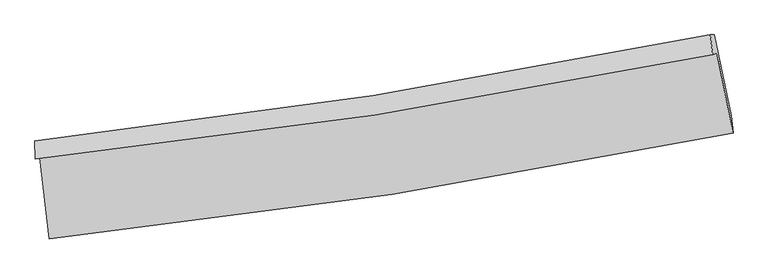
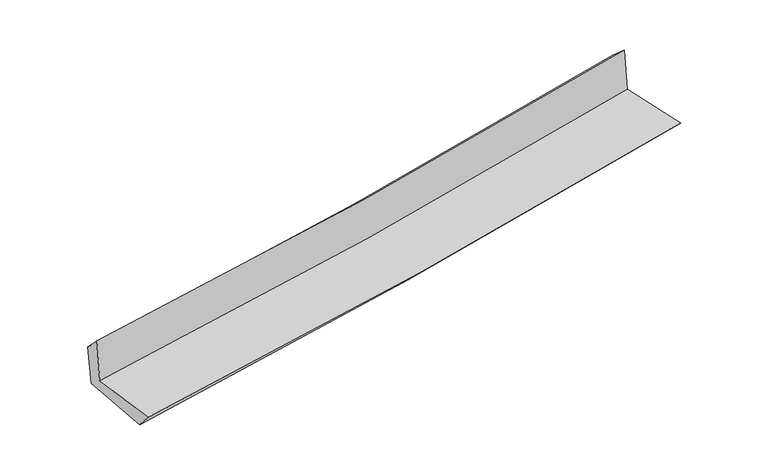
"""IFC4 building model written with IfcOpenShell, lengths in millimetres: proxy geometry."""

from ifc_helpers import new_model, si_unit, frame, origin, place, context, project, spatial, source, transform, mapped, element, save
from ifc_brep_helpers import plane_surface, spline_curve, spline_surface, advanced_brep


def generic_models_65493325(model_context):
    return source(origin(), model_context, "Body", "AdvancedBrep", [
        advanced_brep(
        [(-2749.0828478, -1902.6438318, 1648.4832373), (-2673.2229787, -2556.7609559, 1651.5899219), (2826.8583494, -1704.8291602, 2137.5349664), (2697.4425414, -1059.3543073, 2129.6984529), (-2783.9371505, -1915.119676, 2065.6259817), (2663.454045, -1071.5202424, 2536.4790675), (-2788.0878914, -1769.7398376, 1918.9106104), (2643.9494703, -913.2591518, 2398.0786945), (-2755.1648815, -1770.0777942, 1541.092448), (2676.5012753, -913.4384932, 2035.1152528), (-2675.441732, -2422.494867, 1497.5384858), (2810.8833548, -1562.6709515, 1995.9701157)],
        [
            (0, 1),
            (1, 2, spline_curve(3, [(-2673.2229787, -2556.7609559, 1651.5899219), (-1751.821367539, -2458.625617762, 1736.713265792), (-833.580482081, -2338.72673465, 1819.70293845), (999.802260912, -2054.903018192, 1981.699673973), (1914.92181792, -1890.824636345, 2060.691682675), (2826.8583494, -1704.8291602, 2137.5349664)], [4, 2, 4], [0.0, 9.10713857949383, 18.246347633480475])),
            (2, 3),
            (3, 0, spline_curve(3, [(2697.4425414, -1059.3543073, 2129.6984529), (1794.392888763, -1243.58250504, 2053.651153157), (888.187658086, -1406.056077717, 1975.451976122), (-927.342912512, -1687.000175054, 1815.03182843), (-1836.646145088, -1805.623110585, 1732.825933666), (-2749.0828478, -1902.6438318, 1648.4832373)], [4, 2, 4], [0.0, 9.139209053986646, 18.246347633480475])),
            (4, 0),
            (3, 5),
            (5, 4, spline_curve(3, [(2663.454045, -1071.5202424, 2536.4790675), (1760.549456088, -1255.696515578, 2458.695618221), (854.344225591, -1418.170088262, 2380.496441459), (-961.475963772, -1699.217852699, 2223.542500158), (-1871.06779843, -1817.944091001, 2144.790648495), (-2783.9371505, -1915.119676, 2065.6259817)], [4, 2, 4], [0.0, 9.094439352211005, 18.156965331662])),
            (6, 4),
            (5, 7),
            (7, 6, spline_curve(3, [(2643.9494703, -913.2591518, 2398.0786945), (1743.275915709, -1097.806063561, 2321.903467687), (839.468229476, -1261.541843997, 2243.811633853), (-971.232848602, -1546.889605326, 2084.075511829), (-1878.104283001, -1668.647386505, 2002.444650508), (-2788.0878914, -1769.7398376, 1918.9106104)], [4, 2, 4], [0.0, 9.084109096918771, 18.136341071062287])),
            (8, 6),
            (7, 9),
            (9, 8, spline_curve(3, [(2676.5012753, -913.4384932, 2035.1152528), (1775.758715531, -1098.01625101, 1958.024090612), (871.947630102, -1261.780692245, 1878.232845647), (-938.629253516, -1547.181309776, 1713.539660758), (-1845.373553525, -1668.963302189, 1628.656637527), (-2755.1648815, -1770.0777942, 1541.092448)], [4, 2, 4], [0.0, 9.074611449719045, 18.117379104935605])),
            (10, 8),
            (9, 11),
            (11, 10, spline_curve(3, [(2810.8833548, -1562.6709515, 1995.9701157), (1900.203784375, -1743.307009677, 1918.438779331), (986.861990069, -1905.370383233, 1838.059139516), (-841.931690349, -2191.848236797, 1671.895307754), (-1757.364924733, -2316.392834949, 1586.131071114), (-2675.441732, -2422.494867, 1497.5384858)], [4, 2, 4], [0.0, 9.120039074106131, 18.208074943255262])),
            (1, 10),
            (11, 2),
        ],
        [
            spline_surface(3, 3, [[(-2749.0828478, -1902.6438318, 1648.4832373), (-1836.64614518, -1805.623110545, 1732.825933527), (-927.342912583, -1687.000175083, 1815.031828434), (888.187658157, -1406.056077687, 1975.451976118), (1794.392888621, -1243.582505017, 2053.651153129), (2697.4425414, -1059.3543073, 2129.6984529)], [(-2723.796224783, -2120.682873154, 1649.518798823), (-1808.371219275, -2023.290612941, 1734.121710929), (-896.088769042, -1904.242361543, 1816.58886515), (925.392525683, -1622.338391211, 1977.53454202), (1834.569198396, -1459.329882125, 2055.997996265), (2740.581144073, -1274.512591602, 2132.310624068)], [(-2698.509601717, -2338.721914546, 1650.554360377), (-1780.09629332, -2240.958115374, 1735.417488363), (-864.834625473, -2121.484548064, 1818.145901874), (962.597393237, -1838.620704795, 1979.617107931), (1874.745508153, -1675.077259229, 2058.344839399), (2783.719746727, -1489.670875898, 2134.922795232)], [(-2673.2229787, -2556.7609559, 1651.5899219), (-1751.821367415, -2458.62561777, 1736.713265765), (-833.580481932, -2338.726734524, 1819.70293859), (999.802260763, -2054.903018319, 1981.699673833), (1914.921817929, -1890.824636337, 2060.691682535), (2826.8583494, -1704.8291602, 2137.5349664)]], [4, 4], [4, 2, 4], [0.0, 2.1599976608288616], [0.0, 9.10713857949383, 18.246347633480475]),
            spline_surface(3, 3, [[(-2783.9371505, -1915.119676, 2065.6259817), (-1871.067798372, -1817.944091, 2144.790648555), (-961.475963658, -1699.217852578, 2223.54250023), (854.344225476, -1418.170088384, 2380.496441385), (1760.549455939, -1255.696515613, 2458.695618296), (2663.454045, -1071.5202424, 2536.4790675)], [(-2772.319049605, -1910.961061263, 1926.578400245), (-1859.59391398, -1813.837097511, 2007.46907689), (-950.098279962, -1695.145293429, 2087.372276311), (865.625369707, -1414.132084835, 2245.481619642), (1771.83060017, -1251.658512064, 2323.680796553), (2674.783543803, -1067.464930683, 2400.885529279)], [(-2760.700948695, -1906.802446537, 1787.530818755), (-1848.120029573, -1809.730104033, 1870.147505192), (-938.720596278, -1691.072734231, 1951.202052354), (876.906513926, -1410.094081236, 2110.466797861), (1783.11174439, -1247.620508565, 2188.665974872), (2686.113042597, -1063.409619017, 2265.291991121)], [(-2749.0828478, -1902.6438318, 1648.4832373), (-1836.64614518, -1805.623110545, 1732.825933527), (-927.342912583, -1687.000175083, 1815.031828434), (888.187658157, -1406.056077687, 1975.451976118), (1794.392888621, -1243.582505017, 2053.651153129), (2697.4425414, -1059.3543073, 2129.6984529)]], [4, 4], [4, 2, 4], [0.0, 1.3397972281344188], [0.0, 9.062525979450996, 18.156965331662]),
            spline_surface(3, 3, [[(-2788.0878914, -1769.7398376, 1918.9106104), (-1878.104282965, -1668.647386555, 2002.444650631), (-971.232848567, -1546.889605249, 2084.075511704), (839.468229441, -1261.541844074, 2243.811633979), (1743.275915568, -1097.806063452, 2321.903467576), (2643.9494703, -913.2591518, 2398.0786945)], [(-2786.704311077, -1818.19978373, 1967.815734171), (-1875.758788077, -1718.4129547, 2049.89331661), (-967.980553599, -1597.665687663, 2130.564507866), (844.426894784, -1313.751258815, 2289.373236435), (1749.033762355, -1150.436214168, 2367.500851146), (2650.450995197, -966.012848662, 2444.212152163)], [(-2785.320730823, -1866.65972987, 2016.720857929), (-1873.41329326, -1768.178522855, 2097.341982575), (-964.728258625, -1648.441770164, 2177.053504068), (849.385560133, -1365.960673643, 2334.93483893), (1754.791609152, -1203.066364897, 2413.098234726), (2656.952520103, -1018.766545538, 2490.345609837)], [(-2783.9371505, -1915.119676, 2065.6259817), (-1871.067798372, -1817.944091, 2144.790648555), (-961.475963658, -1699.217852578, 2223.54250023), (854.344225476, -1418.170088384, 2380.496441385), (1760.549455939, -1255.696515613, 2458.695618296), (2663.454045, -1071.5202424, 2536.4790675)]], [4, 4], [4, 2, 4], [0.0, 0.6809729525740994], [0.0, 9.052231974143515, 18.136341071062287]),
            spline_surface(3, 3, [[(-2755.1648815, -1770.0777942, 1541.092448), (-1845.37355352, -1668.963302336, 1628.656637574), (-938.629253403, -1547.181309819, 1713.539660812), (871.947629988, -1261.780692202, 1878.232845593), (1775.758715473, -1098.016251102, 1958.024090629), (2676.5012753, -913.4384932, 2035.1152528)], [(-2766.139218156, -1769.965142002, 1667.031835449), (-1856.283796692, -1668.857997077, 1753.252641908), (-949.497118471, -1547.084074992, 1837.051611107), (861.121163126, -1261.701076189, 2000.09244172), (1764.931115503, -1097.946188577, 2079.317216278), (2665.650673632, -913.378712758, 2156.103066701)], [(-2777.113554744, -1769.852489798, 1792.971222951), (-1867.194039793, -1668.752691814, 1877.848646296), (-960.364983499, -1546.986840076, 1960.563561409), (850.294696303, -1261.621460087, 2121.952037852), (1754.103515538, -1097.876125978, 2200.610341926), (2654.800071968, -913.318932242, 2277.090880599)], [(-2788.0878914, -1769.7398376, 1918.9106104), (-1878.104282965, -1668.647386555, 2002.444650631), (-971.232848567, -1546.889605249, 2084.075511704), (839.468229441, -1261.541844074, 2243.811633979), (1743.275915568, -1097.806063452, 2321.903467576), (2643.9494703, -913.2591518, 2398.0786945)]], [4, 4], [4, 2, 4], [0.0, 1.2122194521176102], [0.0, 9.04276765521656, 18.117379104935605]),
            spline_surface(3, 3, [[(-2675.441732, -2422.494867, 1497.5384858), (-1757.364924677, -2316.392834991, 1586.131071162), (-841.931690255, -2191.848236721, 1671.895307851), (986.861989974, -1905.37038331, 1838.059139419), (1900.203784463, -1743.307009748, 1918.438779372), (2810.8833548, -1562.6709515, 1995.9701157)], [(-2702.016115155, -2205.02250942, 1512.056473201), (-1786.701134279, -2100.582990792, 1600.306259967), (-874.164211273, -1976.95926108, 1685.776758864), (948.557203343, -1690.840486267, 1851.450374836), (1858.722094799, -1528.210090195, 1931.633883126), (2766.089328299, -1346.260132062, 2009.018494735)], [(-2728.590498345, -1987.55015178, 1526.574460599), (-1816.037343918, -1884.773146534, 1614.481448769), (-906.396732385, -1762.07028546, 1699.658209798), (910.252416619, -1476.310589245, 1864.841610175), (1817.240405137, -1313.113170655, 1944.828986874), (2721.295301801, -1129.849312638, 2022.066873765)], [(-2755.1648815, -1770.0777942, 1541.092448), (-1845.37355352, -1668.963302336, 1628.656637574), (-938.629253403, -1547.181309819, 1713.539660812), (871.947629988, -1261.780692202, 1878.232845593), (1775.758715473, -1098.016251102, 1958.024090629), (2676.5012753, -913.4384932, 2035.1152528)]], [4, 4], [4, 2, 4], [0.0, 2.1458144714194707], [0.0, 9.088035869149131, 18.208074943255262]),
            spline_surface(3, 3, [[(-2673.2229787, -2556.7609559, 1651.5899219), (-1751.821367415, -2458.62561777, 1736.713265765), (-833.580481932, -2338.726734524, 1819.70293859), (999.802260763, -2054.903018319, 1981.699673833), (1914.921817929, -1890.824636337, 2060.691682535), (2826.8583494, -1704.8291602, 2137.5349664)], [(-2673.962563124, -2512.005592931, 1600.239443211), (-1753.669219826, -2411.214690174, 1686.519200909), (-836.36421805, -2289.767235266, 1770.433728323), (995.488837156, -2005.058806659, 1933.819495674), (1910.015806769, -1841.652094141, 2013.274048168), (2821.533351195, -1657.443090633, 2090.346682854)], [(-2674.702147576, -2467.250229969, 1548.888964489), (-1755.517072265, -2363.803762586, 1636.325136018), (-839.147954137, -2240.807735979, 1721.164518118), (991.175413581, -1955.21459497, 1885.939317577), (1905.109795623, -1792.479551945, 1965.856413739), (2816.208353005, -1610.057021067, 2043.158399246)], [(-2675.441732, -2422.494867, 1497.5384858), (-1757.364924677, -2316.392834991, 1586.131071162), (-841.931690255, -2191.848236721, 1671.895307851), (986.861989974, -1905.37038331, 1838.059139419), (1900.203784463, -1743.307009748, 1918.438779372), (2810.8833548, -1562.6709515, 1995.9701157)]], [4, 4], [4, 2, 4], [0.0, 0.6828021575767333], [0.0, 9.142093547556291, 18.316380662320178]),
            plane_surface(frame((2719.8481727, -1204.1787177, 2205.479425), z_axis=(0.9765226236934547, 0.1968519872728837, 0.08748062940770436), x_axis=(-0.08932490933667118, 0.0004921277868733325, 0.9960024188636476))),
            plane_surface(frame((-2737.4895803, -2056.1394938, 1720.5401142), z_axis=(-0.989603902995237, -0.11517632122488243, -0.08613088996229182), x_axis=(-0.115199510596346, 0.9933311711172279, -0.004717758497319964))),
        ],
        [
            (0, [[1, 2, 3, 4]]),
            (1, [[5, -4, 6, 7]]),
            (2, [[8, -7, 9, 10]]),
            (3, [[11, -10, 12, 13]]),
            (4, [[14, -13, 15, 16]]),
            (5, [[17, -16, 18, -2]]),
            (6, [[-12, -9, -6, -3, -18, -15]]),
            (7, [[-1, -5, -8, -11, -14, -17]]),
        ],
    ),
    ])


if __name__ == "__main__":
    model = new_model("IFC4")
    model_context = context("Model", 3, world=origin())
    ifc_project = project(units=[si_unit("LENGTHUNIT", "METRE", prefix="MILLI")], contexts=[model_context])
    site = spatial("IfcSite", under=ifc_project)
    building = spatial("IfcBuilding", under=site)
    placement = place(None, origin())
    generic_models_shape = generic_models_65493325(model_context)
    element("IfcBuildingElementProxy", 1, Name="Generic Models", at=placement, inside=building, context=model_context, shape_type="MappedRepresentation", body=[
        mapped(generic_models_shape, transform((0.0, 0.0, 0.0), x_axis=(1.0, 0.0, 0.0), y_axis=(0.0, 1.0, 0.0), z_axis=(0.0, 0.0, 1.0))),
    ])
    save(model, "model.ifc")
